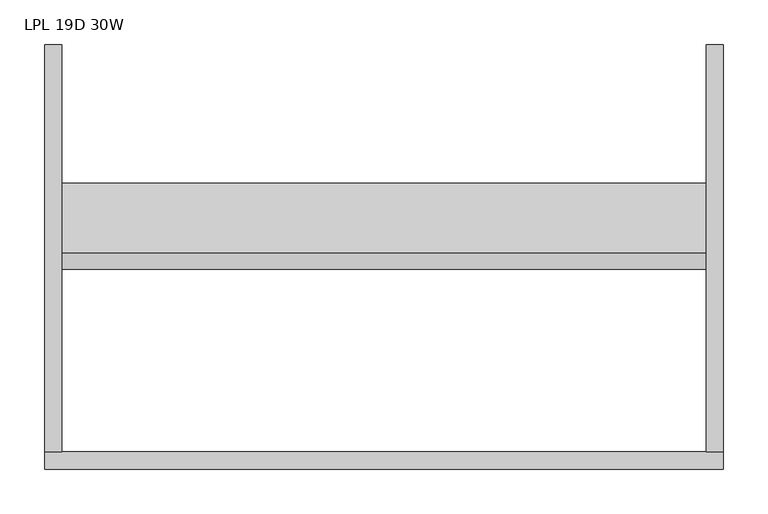
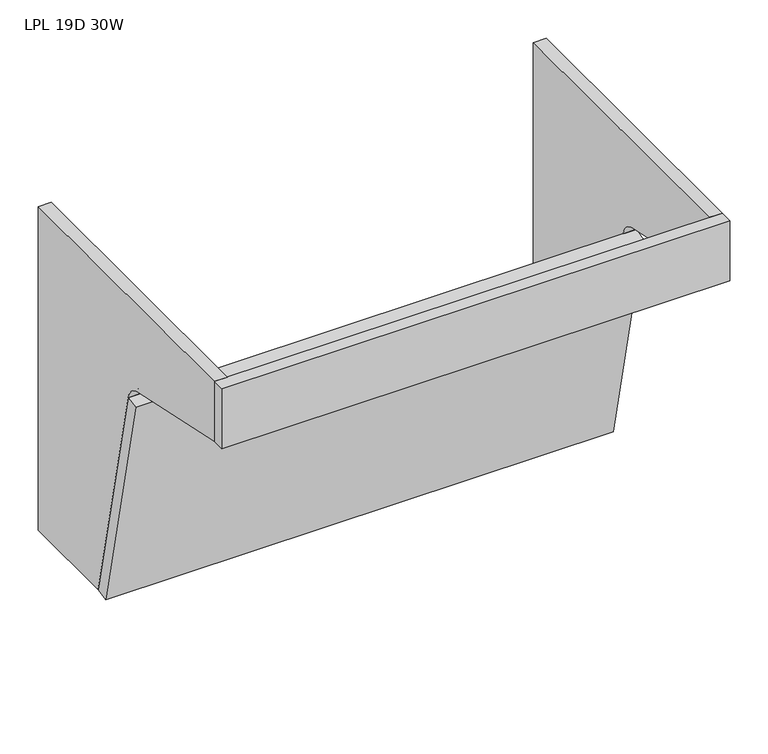
"""IFC4 building model written with IfcOpenShell, lengths in millimetres: furniture geometry, LPL 19D 30W."""

from ifc_helpers import new_model, si_unit, point, frame, frame_2d, origin, place, context, project, spatial, polyline, circle_curve, trimmed, segment, composite_curve, outline, extrude, source, transform, mapped, element, save


def lpl_19d_30w_4d5b98a2(model_context):
    return source(origin(), model_context, "Body", "SweptSolid", [
        extrude(outline(composite_curve([segment(polyline([(0.0, 838.2), (0.0, 324.51548), (-155.6908866, 324.51548), (-233.588736, 676.7765493)]), True, "CONTINUOUS"), segment(trimmed(circle_curve(frame_2d((-262.9278821, 670.6499444)), 29.972), [point((-233.588736, 676.7765493))], [point((-256.6453745, 699.9561022))], True, "CARTESIAN"), True, "CONTINUOUS"), segment(polyline([(-256.6453745, 699.9561022), (-457.2, 742.95), (-457.2, 838.2), (0.0, 838.2)]), True, "CONTINUOUS")], self_intersect=False)), frame((0.0, 0.0, 0.0), z_axis=(1.0, 0.0, 0.0), x_axis=(0.0, 1.0, 0.0)), (0.0, 0.0, 1.0), 19.304),
        extrude(outline(composite_curve([segment(polyline([(0.0, 838.2), (0.0, 324.51548), (-155.6908866, 324.51548), (-233.588736, 676.7765493)]), True, "CONTINUOUS"), segment(trimmed(circle_curve(frame_2d((-262.9278821, 670.6499444)), 29.972), [point((-233.588736, 676.7765493))], [point((-256.6453745, 699.9561022))], True, "CARTESIAN"), True, "CONTINUOUS"), segment(polyline([(-256.6453745, 699.9561022), (-457.2, 742.95), (-457.2, 838.2), (0.0, 838.2)]), True, "CONTINUOUS")], self_intersect=False)), frame((742.696, 0.0, 0.0), z_axis=(1.0, 0.0, 0.0), x_axis=(0.0, 1.0, 0.0)), (0.0, 0.0, 1.0), 19.304),
        extrude(outline(polyline([(0.0, -457.2), (762.0, -457.2), (762.0, -476.504), (0.0, -476.504), (0.0, -457.2)])), frame((0.0, 0.0, 742.95), z_axis=(0.0, 0.0, 1.0), x_axis=(1.0, 0.0, 0.0)), (0.0, 0.0, 1.0), 95.25),
        extrude(outline(polyline([(0.0, -19.2230589), (0.0, 0.0), (762.0, 0.0), (762.0, -19.2230589), (0.0, -19.2230589)])), frame((762.0, -174.4604926, 320.3648313), z_axis=(0.0, -0.2159203016021942, 0.9764109910053336), x_axis=(-1.0, 0.0, 0.0)), (0.0, 0.0, 1.0), 360.7713069),
    ])


if __name__ == "__main__":
    model = new_model("IFC4")
    model_context = context("Model", 3, world=origin())
    ifc_project = project(units=[si_unit("LENGTHUNIT", "METRE", prefix="MILLI")], contexts=[model_context])
    site = spatial("IfcSite", under=ifc_project)
    building = spatial("IfcBuilding", under=site)
    placement = place(None, origin())
    lpl_19d_30w_shape = lpl_19d_30w_4d5b98a2(model_context)
    element("IfcFurniture", 1, ObjectType="LPL 19D 30W", at=placement, inside=building, context=model_context, shape_type="MappedRepresentation", body=[
        mapped(lpl_19d_30w_shape, transform((0.0, 0.0, 0.0), x_axis=(1.0, 0.0, 0.0), y_axis=(0.0, 1.0, 0.0), z_axis=(0.0, 0.0, 1.0))),
    ])
    save(model, "model.ifc")
